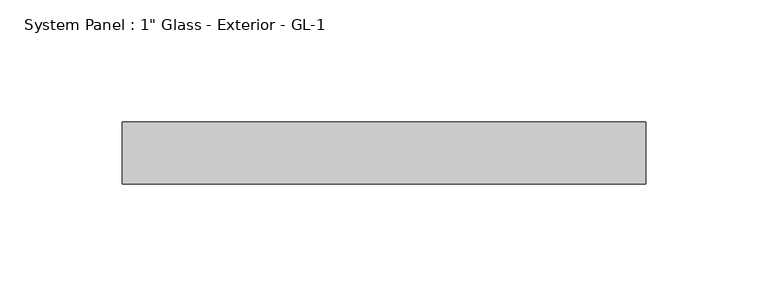
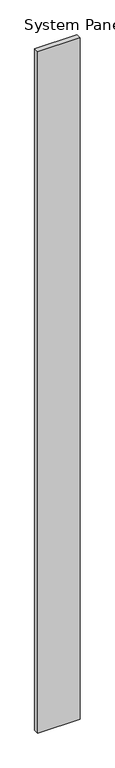
"""IFC4 building model written with IfcOpenShell, lengths in millimetres: plate geometry."""

from ifc_helpers import new_model, si_unit, origin, origin_with_axes, place, context, project, spatial, polyline, outline, extrude, source, transform, mapped, element, save


def plate_a07207b7(model_context):
    return source(origin(), model_context, "Body", "SweptSolid", [
        extrude(outline(polyline([(106.9906598, 12.7), (-106.9906598, 12.7), (-106.9906598, 38.1), (106.9906598, 38.1), (106.9906598, 12.7)])), origin_with_axes(), (0.0, 0.0, 1.0), 3638.55),
    ])


if __name__ == "__main__":
    model = new_model("IFC4")
    model_context = context("Model", 3, world=origin())
    ifc_project = project(units=[si_unit("LENGTHUNIT", "METRE", prefix="MILLI")], contexts=[model_context])
    site = spatial("IfcSite", under=ifc_project)
    building = spatial("IfcBuilding", under=site)
    placement = place(None, origin())
    plate_shape = plate_a07207b7(model_context)
    element("IfcPlate", 1, ObjectType="System Panel : 1\" Glass - Exterior - GL-1", at=placement, inside=building, context=model_context, shape_type="MappedRepresentation", body=[
        mapped(plate_shape, transform((0.0, 0.0, 0.0), x_axis=(1.0, 0.0, 0.0), y_axis=(0.0, 1.0, 0.0), z_axis=(0.0, 0.0, 1.0))),
    ])
    save(model, "model.ifc")
